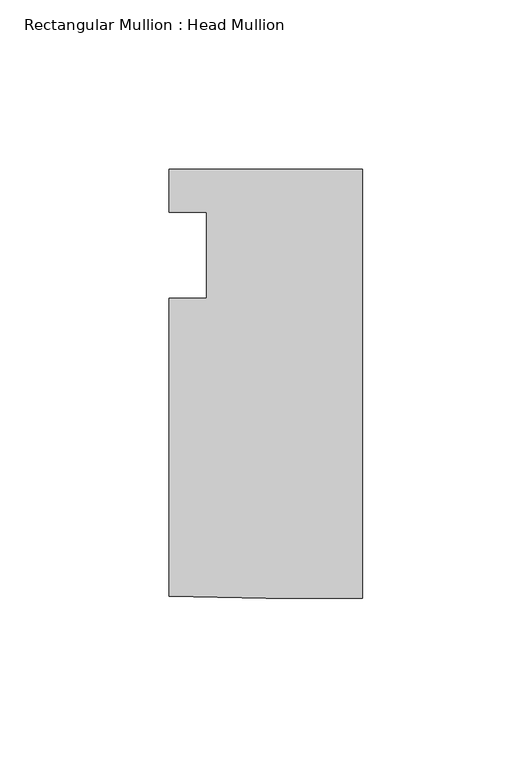
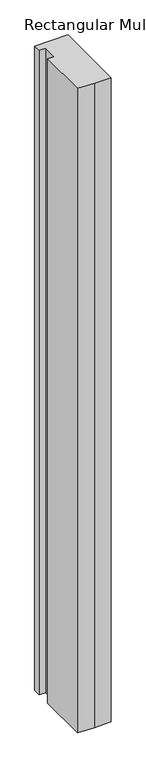
"""IFC4 building model written with IfcOpenShell, lengths in millimetres: member geometry, Rectangular Mullion : Head Mullion."""

import ifcopenshell
import ifcopenshell.guid

model = None  # the IFC model being written
_history = None  # IfcOwnerHistory: only IFC2X3 demands one
_inside = {}  # id of a spatial element -> (the spatial element, [elements in it])
_under = {}  # id of a project, library or spatial element -> (it, [spatial elements below it])
_declared = {}  # id of a project -> (the project, [libraries it declares])
_typed = {}  # id of a type object -> (the type object, [elements of that type])
_made_of = {}  # id of a material, layer set ... -> (it, [elements and type objects made of it])


def new_model(schema):
    """Start an empty IFC model of exactly this schema.

    Asked for "IFC4X3", IfcOpenShell would pick the latest addendum, in which some entities
    have other attributes; the version numbers below select the first issue.
    IFC2X3 requires an IfcOwnerHistory on every rooted entity: one is made here for all.
    """
    global model, _history
    if schema == "IFC4X3":
        model = ifcopenshell.file(schema_version=(4, 3, 0, 0))
    else:
        model = ifcopenshell.file(schema=schema)
    _inside.clear()
    _under.clear()
    _declared.clear()
    _typed.clear()
    _made_of.clear()
    _history = None
    if model.schema == "IFC2X3":
        org = make("IfcOrganization", Name="unknown")
        user = make(
            "IfcPersonAndOrganization",
            ThePerson=make("IfcPerson", FamilyName="unknown"),
            TheOrganization=org,
        )
        app = make(
            "IfcApplication",
            ApplicationDeveloper=org,
            Version="unknown",
            ApplicationFullName="unknown",
            ApplicationIdentifier="unknown",
        )
        _history = make(
            "IfcOwnerHistory",
            OwningUser=user,
            OwningApplication=app,
            ChangeAction="ADDED",
            CreationDate=0,
        )
    return model


def make(cls, **values):
    """One entity of the class cls with the attributes given. An attribute that is None is left unset."""
    return model.create_entity(
        cls, **{name: value for name, value in values.items() if value is not None}
    )


def rooted(cls, **values):
    """An entity with a GlobalId (a new one), such as an element, a storey or a relation."""
    return make(cls, GlobalId=ifcopenshell.guid.new(), OwnerHistory=_history, **values)


def si_unit(unit_type, name, prefix=None):
    """IfcSIUnit, for example si_unit("LENGTHUNIT", "METRE", prefix="MILLI")."""
    return make("IfcSIUnit", UnitType=unit_type, Prefix=prefix, Name=name)


def assignment(units):
    """IfcUnitAssignment: the units of a project."""
    return None if units is None else make("IfcUnitAssignment", Units=units)


def point(xyz):
    """IfcCartesianPoint."""
    return None if xyz is None else make("IfcCartesianPoint", Coordinates=xyz)


def direction(xyz):
    """IfcDirection."""
    return None if xyz is None else make("IfcDirection", DirectionRatios=xyz)


def frame(location, z_axis=None, x_axis=None):
    """IfcAxis2Placement3D, a coordinate frame: its origin and axes. An axis left out is left unset."""
    return make(
        "IfcAxis2Placement3D",
        Location=point(location),
        Axis=direction(z_axis),
        RefDirection=direction(x_axis),
    )


def origin():
    """The frame at (0, 0, 0) with its axes left unset."""
    return frame((0.0, 0.0, 0.0))


def place(relative_to, where):
    """IfcLocalPlacement: puts the frame where relative to a parent placement (None: the world)."""
    return make(
        "IfcLocalPlacement", PlacementRelTo=relative_to, RelativePlacement=where
    )


def context(
    kind, dimensions, precision=None, world=None, true_north=None, identifier=None
):
    """IfcGeometricRepresentationContext, for example the 3D "Model" context."""
    return make(
        "IfcGeometricRepresentationContext",
        ContextIdentifier=identifier,
        ContextType=kind,
        CoordinateSpaceDimension=dimensions,
        Precision=precision,
        WorldCoordinateSystem=world,
        TrueNorth=true_north,
    )


def project(units=None, contexts=None):
    """IfcProject with its units and contexts."""
    return rooted(
        "IfcProject",
        Name="project",
        RepresentationContexts=contexts,
        UnitsInContext=assignment(units),
    )


def spatial(cls, under=None, at=None, **own):
    """A site, building, storey or space (cls), placed at a placement, below another one or the project."""
    s = rooted(cls, ObjectPlacement=at, **own)
    if under is not None:
        _under.setdefault(under.id(), (under, []))[1].append(s)
    return s


def polyline(points):
    """IfcPolyline through the points."""
    return make("IfcPolyline", Points=[point(p) for p in points])


def outline(outer, holes=None, kind="AREA"):
    """IfcArbitraryClosedProfileDef: a profile drawn as a closed curve; with holes, ...WithVoids."""
    if holes is None:
        return make("IfcArbitraryClosedProfileDef", ProfileType=kind, OuterCurve=outer)
    return make(
        "IfcArbitraryProfileDefWithVoids",
        ProfileType=kind,
        OuterCurve=outer,
        InnerCurves=holes,
    )


def extrude(swept, where, along, depth):
    """IfcExtrudedAreaSolid: the profile swept, set in the frame where, extruded along a direction by depth."""
    return make(
        "IfcExtrudedAreaSolid",
        SweptArea=swept,
        Position=where,
        ExtrudedDirection=direction(along),
        Depth=depth,
    )


def shape(context_of_items, identifier, shape_type, items):
    """IfcShapeRepresentation: the items that make up one representation, for example the "Body"."""
    return make(
        "IfcShapeRepresentation",
        ContextOfItems=context_of_items,
        RepresentationIdentifier=identifier,
        RepresentationType=shape_type,
        Items=items,
    )


def source(mapping_origin, context_of_items, identifier, shape_type, items):
    """IfcRepresentationMap: a shape defined once, which mapped items show again and again."""
    return make(
        "IfcRepresentationMap",
        MappingOrigin=mapping_origin,
        MappedRepresentation=shape(context_of_items, identifier, shape_type, items),
    )


def transform(
    local_origin,
    x_axis=None,
    y_axis=None,
    z_axis=None,
    scale=None,
    scale2=None,
    scale3=None,
    uniform=True,
):
    """IfcCartesianTransformationOperator3D, or its non-uniform kind. x_axis, y_axis, z_axis: its Axis1, 2, 3."""
    if uniform:
        return make(
            "IfcCartesianTransformationOperator3D",
            Axis1=direction(x_axis),
            Axis2=direction(y_axis),
            LocalOrigin=point(local_origin),
            Scale=scale,
            Axis3=direction(z_axis),
        )
    return make(
        "IfcCartesianTransformationOperator3DnonUniform",
        Axis1=direction(x_axis),
        Axis2=direction(y_axis),
        LocalOrigin=point(local_origin),
        Scale=scale,
        Axis3=direction(z_axis),
        Scale2=scale2,
        Scale3=scale3,
    )


def mapped(mapping_source, mapping_target):
    """IfcMappedItem: shows the shape of a source again, moved by a transform."""
    return make(
        "IfcMappedItem", MappingSource=mapping_source, MappingTarget=mapping_target
    )


def made_of(thing, what):
    """Note that an element or type object is made of a material, layer set ...; save() writes the relation."""
    if what is not None:
        _made_of.setdefault(what.id(), (what, []))[1].append(thing)
    return thing


def element(
    cls,
    number,
    at=None,
    inside=None,
    cuts=None,
    type_object=None,
    material=None,
    context=None,
    identifier="Body",
    shape_type=None,
    held_by="IfcProductDefinitionShape",
    body=None,
    shapes=None,
    **own,
):
    """One element of the class cls, such as IfcWall. Its Tag is "e" and its number.

    at: its placement. inside: the storey or other place that contains it. cuts: it is an
    opening in that element (IfcRelVoidsElement). A single representation is given by context,
    identifier, shape_type and body (its items); several are given by shapes. held_by: the class
    of the entity that holds the representations. save() writes the other relations.
    """
    e = rooted(cls, Tag="e%d" % number, ObjectPlacement=at, **own)
    if body is not None:
        shapes = [shape(context, identifier, shape_type, body)]
    if shapes is not None:
        e.Representation = make(held_by, Representations=shapes)
    if inside is not None:
        _inside.setdefault(inside.id(), (inside, []))[1].append(e)
    if cuts is not None:
        rooted(
            "IfcRelVoidsElement", RelatingBuildingElement=cuts, RelatedOpeningElement=e
        )
    if type_object is not None:
        _typed.setdefault(type_object.id(), (type_object, []))[1].append(e)
    return made_of(e, material)


def aggregate(whole, parts):
    """IfcRelAggregates: a whole, such as a stair, and the parts it consists of."""
    return rooted("IfcRelAggregates", RelatingObject=whole, RelatedObjects=parts)


def save(model, path):
    """Write the relations noted so far, then the file.

    IfcRelAggregates (storeys below a building ...), IfcRelContainedInSpatialStructure (elements
    in a storey), IfcRelDefinesByType, IfcRelAssociatesMaterial and IfcRelDeclares: one each for
    every whole, place, type object, material and project.
    """
    for whole, parts in _under.values():
        aggregate(whole, parts)
    for where, things in _inside.values():
        rooted(
            "IfcRelContainedInSpatialStructure",
            RelatedElements=things,
            RelatingStructure=where,
        )
    for kind, things in _typed.values():
        rooted("IfcRelDefinesByType", RelatedObjects=things, RelatingType=kind)
    for what, things in _made_of.values():
        rooted("IfcRelAssociatesMaterial", RelatedObjects=things, RelatingMaterial=what)
    for by, libraries in _declared.values():
        rooted("IfcRelDeclares", RelatingContext=by, RelatedDefinitions=libraries)
    model.write(path)


def rectangular_mullion_head_mullion_c0a8c788(model_context):
    return source(origin(), model_context, "Body", "SweptSolid", [
        extrude(outline(polyline([(-57.1999432, -12.6360281), (-46.0996791, -12.6360281), (-46.0996791, 12.7639719), (-57.1500093, 12.7639719), (-57.1500093, 25.4), (0.0, 25.4), (0.0, -101.2633929), (-28.6202587, -101.2633929), (-57.1999432, -100.7860704), (-57.1999432, -12.6360281)])), frame((0.0, 0.0, -1162.0256284), z_axis=(0.0, 0.0, 1.0), x_axis=(1.0, 0.0, 0.0)), (0.0, 0.0, 1.0), 1162.0256284),
    ])


if __name__ == "__main__":
    model = new_model("IFC4")
    model_context = context("Model", 3, world=origin())
    ifc_project = project(units=[si_unit("LENGTHUNIT", "METRE", prefix="MILLI")], contexts=[model_context])
    site = spatial("IfcSite", under=ifc_project)
    building = spatial("IfcBuilding", under=site)
    placement = place(None, origin())
    rectangular_mullion_head_mullion_shape = rectangular_mullion_head_mullion_c0a8c788(model_context)
    element("IfcMember", 1, ObjectType="Rectangular Mullion : Head Mullion", at=placement, inside=building, context=model_context, shape_type="MappedRepresentation", body=[
        mapped(rectangular_mullion_head_mullion_shape, transform((0.0, 0.0, 0.0), x_axis=(1.0, 0.0, 0.0), y_axis=(0.0, 1.0, 0.0), z_axis=(0.0, 0.0, 1.0))),
    ])
    save(model, "model.ifc")
